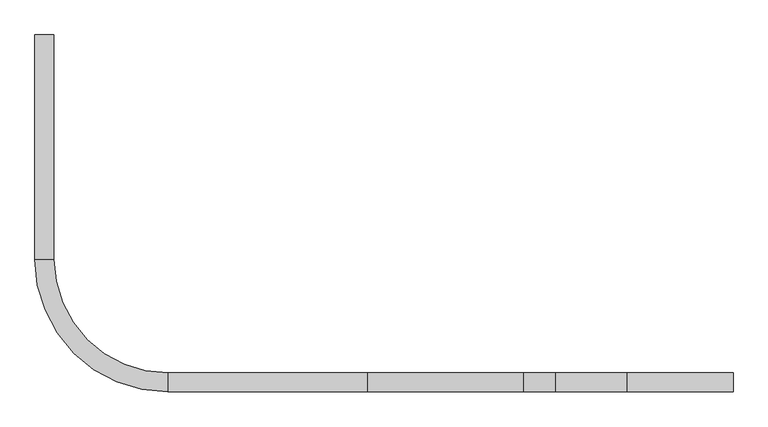
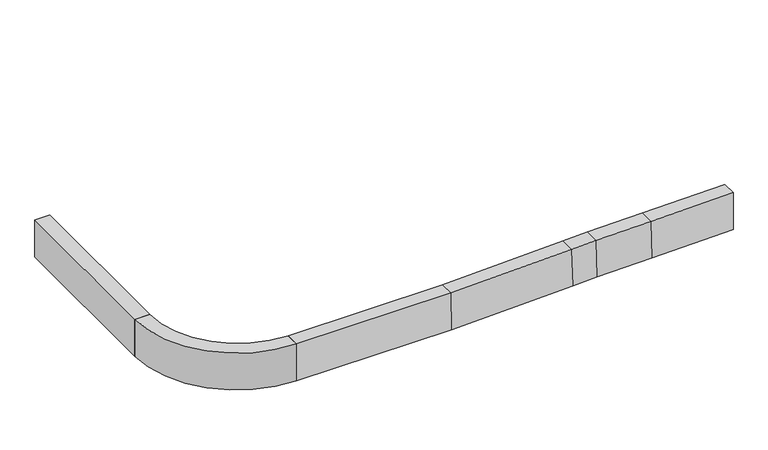
"""IFC4 building model written with IfcOpenShell, lengths in millimetres: railing geometry."""

from ifc_helpers import new_model, si_unit, frame, origin, place, context, project, spatial, polyline, circle_curve, faceted_brep, source, transform, mapped, element, save
from ifc_brep_helpers import plane_surface, cylinder_surface, revolved_surface, advanced_brep


def railing_bea3c3b0(model_context):
    return source(origin(), model_context, "Body", "SolidModel", [
        faceted_brep([(13488.3903015, 36529.1761565, 50.8), (13488.3903015, 36529.1761565, -355.6), (13335.9486461, 36529.1761565, -355.6), (13335.9486461, 36529.1761565, 50.8), (13488.3903015, 34725.7969842, 50.8), (13335.9486461, 34725.7969842, 50.8), (13335.9486461, 34725.7969842, -355.6), (13488.3903015, 34725.7969842, -355.6)], [[[0, 1, 2, 3]], [[4, 5, 6, 7]], [[0, 3, 5, 4]], [[3, 2, 6, 5]], [[2, 1, 7, 6]], [[1, 0, 4, 7]]]),
        advanced_brep(
        [(14402.7694738, 33811.4178119, 50.8), (13488.3903015, 34725.7969842, 50.8), (13335.9486461, 34725.7969842, 50.8), (14402.7694738, 33658.9761565, 50.8), (13335.9486461, 34725.7969842, -355.6), (14402.7694738, 33658.9761565, -355.6), (13488.3903015, 34725.7969842, -355.6), (14402.7694738, 33811.4178119, -355.6)],
        [
            (0, 1, circle_curve(frame((14402.7694738, 34725.7969842, 50.8), z_axis=(0.0, 0.0, -1.0), x_axis=(-1.0, 0.0, 0.0)), 914.3791723)),
            (1, 2),
            (2, 3, circle_curve(frame((14402.7694738, 34725.7969842, 50.8), z_axis=(0.0, 0.0, 1.0), x_axis=(-1.0, 0.0, 0.0)), 1066.8208277)),
            (3, 0),
            (2, 4),
            (4, 5, circle_curve(frame((14402.7694738, 34725.7969842, -355.6), z_axis=(0.0, 0.0, 1.0), x_axis=(-1.0, 0.0, 0.0)), 1066.8208277)),
            (5, 3),
            (4, 6),
            (6, 7, circle_curve(frame((14402.7694738, 34725.7969842, -355.6), z_axis=(0.0, 0.0, 1.0), x_axis=(-1.0, 0.0, 0.0)), 914.3791723)),
            (7, 5),
            (6, 1),
            (0, 7),
        ],
        [
            plane_surface(frame((14402.7694738, 34725.7969842, 50.8), z_axis=(0.0, 0.0, 1.0), x_axis=(-1.0, 0.0, 0.0))),
            cylinder_surface(frame((14402.7694738, 34725.7969842, 50.8), z_axis=(0.0, 0.0, 1.0), x_axis=(-1.0, 0.0, 0.0)), 1066.8208277),
            plane_surface(frame((14402.7694738, 34725.7969842, -355.6), z_axis=(0.0, 0.0, -1.0), x_axis=(-1.0, 0.0, 0.0))),
            revolved_surface(polyline([(13488.3903015, 34725.7969842, 50.8), (13488.3903015, 34725.7969842, -355.6)]), (14402.7694738, 34725.7969842, 50.8), (0.0, 0.0, 1.0)),
            plane_surface(frame((13412.1694738, 34725.7969842, 50.8), z_axis=(0.0, 1.0, 0.0), x_axis=(0.0, 0.0, -1.0))),
            plane_surface(frame((14402.7694738, 33735.1969842, 50.8), z_axis=(1.0, 0.0, 0.0), x_axis=(0.0, 1.0, 0.0))),
        ],
        [
            (0, [[1, 2, 3, 4]]),
            (1, [[-3, 5, 6, 7]]),
            (2, [[-6, 8, 9, 10]]),
            (3, [[-9, 11, -1, 12]]),
            (4, [[-11, -8, -5, -2]]),
            (5, [[-4, -7, -10, -12]]),
        ],
    ),
        faceted_brep([(14402.7694738, 33811.4178119, 50.8), (14402.7694738, 33811.4178119, -355.6), (14402.7694738, 33658.9761565, -355.6), (14402.7694738, 33658.9761565, 50.8), (16006.8624939, 33658.9761565, 50.8), (16006.8624939, 33811.4178119, 50.8), (16013.6045085, 33658.9761565, -355.6), (16013.6045085, 33811.4178119, -355.6), (17263.4100619, 33658.9761565, 92.5027275), (17263.4100619, 33811.4178119, 92.5027275), (17277.4075144, 33658.9761565, -313.6564766), (17277.4075144, 33811.4178119, -313.6564766), (17517.9667575, 33658.9761565, 101.6000015), (17517.9667575, 33811.4178119, 101.6000015), (17528.4489022, 33658.9761565, -304.6848316), (17528.4489022, 33811.4178119, -304.6848316), (18092.9970919, 33658.9761565, 110.7242134), (18092.9970919, 33811.4178119, 110.7242134), (18100.0594006, 33658.9761565, -295.6148835), (18100.0594006, 33811.4178119, -295.6148835), (18949.3694738, 33811.4178119, 126.9039886), (18949.3694738, 33658.9761565, 126.9039886), (18949.3694738, 33658.9761565, -279.5685392), (18949.3694738, 33811.4178119, -279.5685392)], [[[0, 1, 2, 3]], [[0, 3, 4, 5]], [[3, 2, 6, 4]], [[2, 1, 7, 6]], [[1, 0, 5, 7]], [[5, 4, 8, 9]], [[4, 6, 10, 8]], [[6, 7, 11, 10]], [[7, 5, 9, 11]], [[9, 8, 12, 13]], [[8, 10, 14, 12]], [[10, 11, 15, 14]], [[11, 9, 13, 15]], [[13, 12, 16, 17]], [[12, 14, 18, 16]], [[14, 15, 19, 18]], [[15, 13, 17, 19]], [[20, 21, 22, 23]], [[17, 16, 21, 20]], [[16, 18, 22, 21]], [[18, 19, 23, 22]], [[19, 17, 20, 23]]]),
    ])


if __name__ == "__main__":
    model = new_model("IFC4")
    model_context = context("Model", 3, world=origin())
    ifc_project = project(units=[si_unit("LENGTHUNIT", "METRE", prefix="MILLI")], contexts=[model_context])
    site = spatial("IfcSite", under=ifc_project)
    building = spatial("IfcBuilding", under=site)
    placement = place(None, origin())
    railing_shape = railing_bea3c3b0(model_context)
    element("IfcRailing", 1, at=placement, inside=building, context=model_context, shape_type="MappedRepresentation", body=[
        mapped(railing_shape, transform((0.0, 0.0, 0.0), x_axis=(1.0, 0.0, 0.0), y_axis=(0.0, 1.0, 0.0), z_axis=(0.0, 0.0, 1.0))),
    ])
    save(model, "model.ifc")
